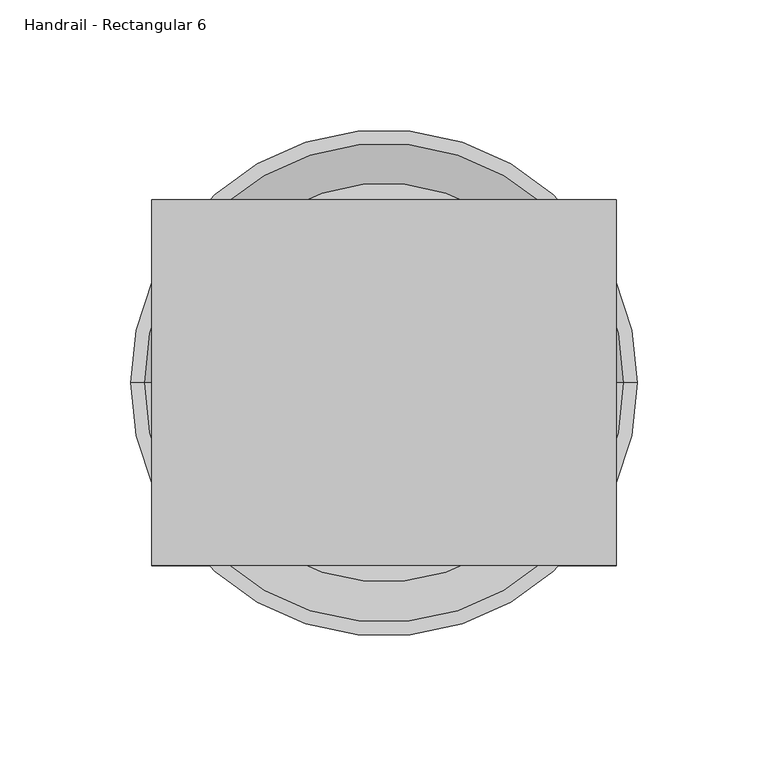
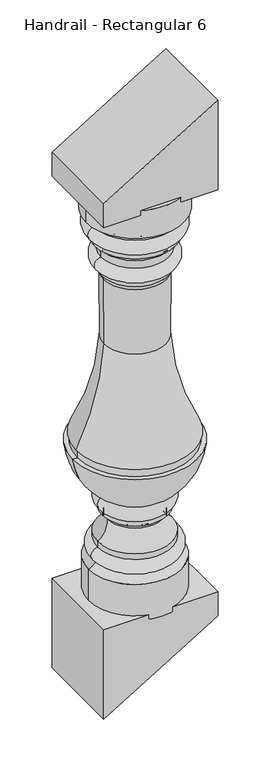
"""IFC4 building model written with IfcOpenShell, lengths in millimetres: railing geometry, Handrail - Rectangular 6."""

import ifcopenshell
import ifcopenshell.guid

model = None  # the IFC model being written
_history = None  # IfcOwnerHistory: only IFC2X3 demands one
_inside = {}  # id of a spatial element -> (the spatial element, [elements in it])
_under = {}  # id of a project, library or spatial element -> (it, [spatial elements below it])
_declared = {}  # id of a project -> (the project, [libraries it declares])
_typed = {}  # id of a type object -> (the type object, [elements of that type])
_made_of = {}  # id of a material, layer set ... -> (it, [elements and type objects made of it])


def new_model(schema):
    """Start an empty IFC model of exactly this schema.

    Asked for "IFC4X3", IfcOpenShell would pick the latest addendum, in which some entities
    have other attributes; the version numbers below select the first issue.
    IFC2X3 requires an IfcOwnerHistory on every rooted entity: one is made here for all.
    """
    global model, _history
    if schema == "IFC4X3":
        model = ifcopenshell.file(schema_version=(4, 3, 0, 0))
    else:
        model = ifcopenshell.file(schema=schema)
    _inside.clear()
    _under.clear()
    _declared.clear()
    _typed.clear()
    _made_of.clear()
    _history = None
    if model.schema == "IFC2X3":
        org = make("IfcOrganization", Name="unknown")
        user = make(
            "IfcPersonAndOrganization",
            ThePerson=make("IfcPerson", FamilyName="unknown"),
            TheOrganization=org,
        )
        app = make(
            "IfcApplication",
            ApplicationDeveloper=org,
            Version="unknown",
            ApplicationFullName="unknown",
            ApplicationIdentifier="unknown",
        )
        _history = make(
            "IfcOwnerHistory",
            OwningUser=user,
            OwningApplication=app,
            ChangeAction="ADDED",
            CreationDate=0,
        )
    return model


def make(cls, **values):
    """One entity of the class cls with the attributes given. An attribute that is None is left unset."""
    return model.create_entity(
        cls, **{name: value for name, value in values.items() if value is not None}
    )


def rooted(cls, **values):
    """An entity with a GlobalId (a new one), such as an element, a storey or a relation."""
    return make(cls, GlobalId=ifcopenshell.guid.new(), OwnerHistory=_history, **values)


def si_unit(unit_type, name, prefix=None):
    """IfcSIUnit, for example si_unit("LENGTHUNIT", "METRE", prefix="MILLI")."""
    return make("IfcSIUnit", UnitType=unit_type, Prefix=prefix, Name=name)


def assignment(units):
    """IfcUnitAssignment: the units of a project."""
    return None if units is None else make("IfcUnitAssignment", Units=units)


def point(xyz):
    """IfcCartesianPoint."""
    return None if xyz is None else make("IfcCartesianPoint", Coordinates=xyz)


def direction(xyz):
    """IfcDirection."""
    return None if xyz is None else make("IfcDirection", DirectionRatios=xyz)


def frame(location, z_axis=None, x_axis=None):
    """IfcAxis2Placement3D, a coordinate frame: its origin and axes. An axis left out is left unset."""
    return make(
        "IfcAxis2Placement3D",
        Location=point(location),
        Axis=direction(z_axis),
        RefDirection=direction(x_axis),
    )


def origin():
    """The frame at (0, 0, 0) with its axes left unset."""
    return frame((0.0, 0.0, 0.0))


def place(relative_to, where):
    """IfcLocalPlacement: puts the frame where relative to a parent placement (None: the world)."""
    return make(
        "IfcLocalPlacement", PlacementRelTo=relative_to, RelativePlacement=where
    )


def context(
    kind, dimensions, precision=None, world=None, true_north=None, identifier=None
):
    """IfcGeometricRepresentationContext, for example the 3D "Model" context."""
    return make(
        "IfcGeometricRepresentationContext",
        ContextIdentifier=identifier,
        ContextType=kind,
        CoordinateSpaceDimension=dimensions,
        Precision=precision,
        WorldCoordinateSystem=world,
        TrueNorth=true_north,
    )


def project(units=None, contexts=None):
    """IfcProject with its units and contexts."""
    return rooted(
        "IfcProject",
        Name="project",
        RepresentationContexts=contexts,
        UnitsInContext=assignment(units),
    )


def spatial(cls, under=None, at=None, **own):
    """A site, building, storey or space (cls), placed at a placement, below another one or the project."""
    s = rooted(cls, ObjectPlacement=at, **own)
    if under is not None:
        _under.setdefault(under.id(), (under, []))[1].append(s)
    return s


def polyline(points):
    """IfcPolyline through the points."""
    return make("IfcPolyline", Points=[point(p) for p in points])


def circle_curve(where, radius):
    """IfcCircle in the frame where."""
    return make("IfcCircle", Position=where, Radius=radius)


def ellipse_curve(where, semi_axis1, semi_axis2):
    """IfcEllipse in the frame where."""
    return make(
        "IfcEllipse", Position=where, SemiAxis1=semi_axis1, SemiAxis2=semi_axis2
    )


def trimmed(basis, trim1, trim2, sense, master):
    """IfcTrimmedCurve: the piece of a basis curve between two trims."""
    return make(
        "IfcTrimmedCurve",
        BasisCurve=basis,
        Trim1=trim1,
        Trim2=trim2,
        SenseAgreement=sense,
        MasterRepresentation=master,
    )


def outline(outer, holes=None, kind="AREA"):
    """IfcArbitraryClosedProfileDef: a profile drawn as a closed curve; with holes, ...WithVoids."""
    if holes is None:
        return make("IfcArbitraryClosedProfileDef", ProfileType=kind, OuterCurve=outer)
    return make(
        "IfcArbitraryProfileDefWithVoids",
        ProfileType=kind,
        OuterCurve=outer,
        InnerCurves=holes,
    )


def extrude(swept, where, along, depth):
    """IfcExtrudedAreaSolid: the profile swept, set in the frame where, extruded along a direction by depth."""
    return make(
        "IfcExtrudedAreaSolid",
        SweptArea=swept,
        Position=where,
        ExtrudedDirection=direction(along),
        Depth=depth,
    )


def shape(context_of_items, identifier, shape_type, items):
    """IfcShapeRepresentation: the items that make up one representation, for example the "Body"."""
    return make(
        "IfcShapeRepresentation",
        ContextOfItems=context_of_items,
        RepresentationIdentifier=identifier,
        RepresentationType=shape_type,
        Items=items,
    )


def source(mapping_origin, context_of_items, identifier, shape_type, items):
    """IfcRepresentationMap: a shape defined once, which mapped items show again and again."""
    return make(
        "IfcRepresentationMap",
        MappingOrigin=mapping_origin,
        MappedRepresentation=shape(context_of_items, identifier, shape_type, items),
    )


def transform(
    local_origin,
    x_axis=None,
    y_axis=None,
    z_axis=None,
    scale=None,
    scale2=None,
    scale3=None,
    uniform=True,
):
    """IfcCartesianTransformationOperator3D, or its non-uniform kind. x_axis, y_axis, z_axis: its Axis1, 2, 3."""
    if uniform:
        return make(
            "IfcCartesianTransformationOperator3D",
            Axis1=direction(x_axis),
            Axis2=direction(y_axis),
            LocalOrigin=point(local_origin),
            Scale=scale,
            Axis3=direction(z_axis),
        )
    return make(
        "IfcCartesianTransformationOperator3DnonUniform",
        Axis1=direction(x_axis),
        Axis2=direction(y_axis),
        LocalOrigin=point(local_origin),
        Scale=scale,
        Axis3=direction(z_axis),
        Scale2=scale2,
        Scale3=scale3,
    )


def mapped(mapping_source, mapping_target):
    """IfcMappedItem: shows the shape of a source again, moved by a transform."""
    return make(
        "IfcMappedItem", MappingSource=mapping_source, MappingTarget=mapping_target
    )


def made_of(thing, what):
    """Note that an element or type object is made of a material, layer set ...; save() writes the relation."""
    if what is not None:
        _made_of.setdefault(what.id(), (what, []))[1].append(thing)
    return thing


def element(
    cls,
    number,
    at=None,
    inside=None,
    cuts=None,
    type_object=None,
    material=None,
    context=None,
    identifier="Body",
    shape_type=None,
    held_by="IfcProductDefinitionShape",
    body=None,
    shapes=None,
    **own,
):
    """One element of the class cls, such as IfcWall. Its Tag is "e" and its number.

    at: its placement. inside: the storey or other place that contains it. cuts: it is an
    opening in that element (IfcRelVoidsElement). A single representation is given by context,
    identifier, shape_type and body (its items); several are given by shapes. held_by: the class
    of the entity that holds the representations. save() writes the other relations.
    """
    e = rooted(cls, Tag="e%d" % number, ObjectPlacement=at, **own)
    if body is not None:
        shapes = [shape(context, identifier, shape_type, body)]
    if shapes is not None:
        e.Representation = make(held_by, Representations=shapes)
    if inside is not None:
        _inside.setdefault(inside.id(), (inside, []))[1].append(e)
    if cuts is not None:
        rooted(
            "IfcRelVoidsElement", RelatingBuildingElement=cuts, RelatedOpeningElement=e
        )
    if type_object is not None:
        _typed.setdefault(type_object.id(), (type_object, []))[1].append(e)
    return made_of(e, material)


def aggregate(whole, parts):
    """IfcRelAggregates: a whole, such as a stair, and the parts it consists of."""
    return rooted("IfcRelAggregates", RelatingObject=whole, RelatedObjects=parts)


def save(model, path):
    """Write the relations noted so far, then the file.

    IfcRelAggregates (storeys below a building ...), IfcRelContainedInSpatialStructure (elements
    in a storey), IfcRelDefinesByType, IfcRelAssociatesMaterial and IfcRelDeclares: one each for
    every whole, place, type object, material and project.
    """
    for whole, parts in _under.values():
        aggregate(whole, parts)
    for where, things in _inside.values():
        rooted(
            "IfcRelContainedInSpatialStructure",
            RelatedElements=things,
            RelatingStructure=where,
        )
    for kind, things in _typed.values():
        rooted("IfcRelDefinesByType", RelatedObjects=things, RelatingType=kind)
    for what, things in _made_of.values():
        rooted("IfcRelAssociatesMaterial", RelatedObjects=things, RelatingMaterial=what)
    for by, libraries in _declared.values():
        rooted("IfcRelDeclares", RelatingContext=by, RelatedDefinitions=libraries)
    model.write(path)


def plane_surface(at):
    """IfcPlane: the flat surface through the origin of the frame at, square to its z axis."""
    return make("IfcPlane", Position=at)


def cylinder_surface(at, radius):
    """IfcCylindricalSurface: all points at the distance radius from the z axis of the frame at."""
    return make("IfcCylindricalSurface", Position=at, Radius=radius)


def revolved_surface(curve, axis_point, axis_direction):
    """IfcSurfaceOfRevolution: the curve turned about the line through axis_point along axis_direction."""
    return make(
        "IfcSurfaceOfRevolution",
        SweptCurve=make("IfcArbitraryOpenProfileDef", ProfileType="CURVE", Curve=curve),
        AxisPosition=make("IfcAxis1Placement", Location=point(axis_point), Axis=direction(axis_direction)),
    )


def advanced_brep(points, edges, surfaces, faces):
    """IfcAdvancedBrep: a solid bounded by faces that lie on surfaces and meet in shared edges.

    An edge is (start, end): straight between two places in points (the first is 0);
    or (start, end, curve); or (start, end, curve, False) where it runs against its curve.
    A face is (place in surfaces, loops), or (place, loops, False) where it looks against
    its surface's normal. A loop lists edges by number (the first is 1), with a minus sign
    where the edge is run from its end to its start. The first loop is the outer one.
    """
    corners = [point(p) for p in points]
    vertices = [make("IfcVertexPoint", VertexGeometry=c) for c in corners]
    made = []
    for start, end, *more in edges:
        made.append(
            make(
                "IfcEdgeCurve",
                EdgeStart=vertices[start],
                EdgeEnd=vertices[end],
                EdgeGeometry=more[0] if more else make("IfcPolyline", Points=[corners[start], corners[end]]),
                SameSense=more[1] if len(more) > 1 else True,
            )
        )
    hull = []
    for where, loops, *sense in faces:
        bounds = []
        for j, loop in enumerate(loops):
            ring = [make("IfcOrientedEdge", EdgeElement=made[abs(k) - 1], Orientation=k > 0) for k in loop]
            bounds.append(
                make(
                    "IfcFaceOuterBound" if j == 0 else "IfcFaceBound",
                    Bound=make("IfcEdgeLoop", EdgeList=ring),
                    Orientation=True,
                )
            )
        hull.append(make("IfcAdvancedFace", Bounds=bounds, FaceSurface=surfaces[where], SameSense=sense[0] if sense else True))
    return make("IfcAdvancedBrep", Outer=make("IfcClosedShell", CfsFaces=hull))


def handrail_rectangular_6_158cdc4c(model_context):
    return source(origin(), model_context, "Body", "SolidModel", [
        advanced_brep(
        [(15839.3027138, 4021.0919589, 1104.1765176), (15991.7027138, 4021.0919589, 1104.1765176), (15915.5027138, 4021.0919589, 1104.1765176), (15839.3027138, 4021.0919589, 1058.4554533), (15991.7027138, 4021.0919589, 1058.4554533), (15851.4317502, 4021.0919589, 1047.2392085), (15979.5736774, 4021.0919589, 1047.2392085), (15851.6769912, 4021.0919589, 1024.2012529), (15979.3284364, 4021.0919589, 1024.2012529), (15851.6769912, 4021.0919589, 1016.1134557), (15979.3284364, 4021.0919589, 1016.1134557), (15860.5055103, 4021.0919589, 1007.5354945), (15970.4999173, 4021.0919589, 1007.5354945), (15862.8417878, 4021.0919589, 993.2305696), (15968.1636397, 4021.0919589, 993.2305696), (15862.8417878, 4021.0919589, 971.1729551), (15968.1636397, 4021.0919589, 971.1729551), (15862.8417878, 4021.0919589, 962.8890176), (15968.1636397, 4021.0919589, 962.8890176), (15866.714095, 4021.0919589, 955.1688564), (15964.2913325, 4021.0919589, 955.1688564), (15867.5235709, 4021.0919589, 848.9900737), (15963.4818566, 4021.0919589, 848.9900737), (15823.9642735, 4021.0919589, 689.0452676), (16007.041154, 4021.0919589, 689.0452676), (15826.066154, 4021.0919589, 689.0452676), (16004.9392735, 4021.0919589, 689.0452676), (15826.066154, 4021.0919589, 676.3452676), (16004.9392735, 4021.0919589, 676.3452676), (15818.6652138, 4021.0919589, 676.3452676), (16012.3402138, 4021.0919589, 676.3452676), (15864.5912706, 4021.0919589, 598.9788631), (15966.4141569, 4021.0919589, 598.9788631), (15864.7326309, 4021.0919589, 575.6152861), (15966.2727966, 4021.0919589, 575.6152861), (15864.7326309, 4021.0919589, 568.1356536), (15966.2727966, 4021.0919589, 568.1356536), (15872.684671, 4021.0919589, 559.2535887), (15958.3207565, 4021.0919589, 559.2535887), (15857.7161377, 4021.0919589, 527.4651457), (15973.2892899, 4021.0919589, 527.4651457), (15857.7161377, 4021.0919589, 518.1156098), (15973.2892899, 4021.0919589, 518.1156098), (15855.3772921, 4021.0919589, 496.6116639), (15975.6281354, 4021.0919589, 496.6116639), (15843.2924308, 4021.0919589, 486.8182081), (15987.7129967, 4021.0919589, 486.8182081), (15843.2924308, 4021.0919589, 427.9015176), (15987.7129967, 4021.0919589, 427.9015176), (15915.5027138, 4021.0919589, 427.9015176)],
        [
            (0, 1, circle_curve(frame((15915.5027138, 4021.0919589, 1104.1765176), z_axis=(0.0, 0.0, 1.0), x_axis=(1.0, 0.0, 0.0)), 76.2)),
            (1, 2),
            (2, 0),
            (1, 0, circle_curve(frame((15915.5027138, 4021.0919589, 1104.1765176), z_axis=(0.0, 0.0, 1.0), x_axis=(1.0, 0.0, 0.0)), 76.2)),
            (3, 4, circle_curve(frame((15915.5027138, 4021.0919589, 1058.4554533), z_axis=(0.0, 0.0, 1.0), x_axis=(1.0, 0.0, 0.0)), 76.2)),
            (4, 1),
            (0, 3),
            (4, 3, circle_curve(frame((15915.5027138, 4021.0919589, 1058.4554533), z_axis=(0.0, 0.0, 1.0), x_axis=(1.0, 0.0, 0.0)), 76.2)),
            (5, 6, circle_curve(frame((15915.5027138, 4021.0919589, 1047.2392085), z_axis=(0.0, 0.0, 1.0), x_axis=(1.0, 0.0, 0.0)), 64.0709636)),
            (6, 4, circle_curve(frame((15991.7162278, 4021.0919589, 1046.274661), z_axis=(0.0, 1.0, 0.0), x_axis=(-1.0, 0.0, 0.0)), 12.1807998)),
            (3, 5, circle_curve(frame((15839.2891997, 4021.0919589, 1046.274661), z_axis=(0.0, 1.0, 0.0), x_axis=(1.0, 0.0, 0.0)), 12.1807998)),
            (6, 5, circle_curve(frame((15915.5027138, 4021.0919589, 1047.2392085), z_axis=(0.0, 0.0, 1.0), x_axis=(1.0, 0.0, 0.0)), 64.0709636)),
            (7, 8, circle_curve(frame((15915.5027138, 4021.0919589, 1024.2012529), z_axis=(0.0, 0.0, 1.0), x_axis=(1.0, 0.0, 0.0)), 63.8257226)),
            (8, 6, circle_curve(frame((15977.162344, 4021.0919589, 1035.7445942), z_axis=(0.0, -1.0, 0.0), x_axis=(-1.0, 0.0, 0.0)), 11.7448152)),
            (5, 7, circle_curve(frame((15853.8430835, 4021.0919589, 1035.7445942), z_axis=(0.0, -1.0, 0.0), x_axis=(1.0, 0.0, 0.0)), 11.7448152)),
            (8, 7, circle_curve(frame((15915.5027138, 4021.0919589, 1024.2012529), z_axis=(0.0, 0.0, 1.0), x_axis=(1.0, 0.0, 0.0)), 63.8257226)),
            (9, 10, circle_curve(frame((15915.5027138, 4021.0919589, 1016.1134557), z_axis=(0.0, 0.0, 1.0), x_axis=(1.0, 0.0, 0.0)), 63.8257226)),
            (10, 8),
            (7, 9),
            (10, 9, circle_curve(frame((15915.5027138, 4021.0919589, 1016.1134557), z_axis=(0.0, 0.0, 1.0), x_axis=(1.0, 0.0, 0.0)), 63.8257226)),
            (11, 12, circle_curve(frame((15915.5027138, 4021.0919589, 1007.5354945), z_axis=(0.0, 0.0, 1.0), x_axis=(1.0, 0.0, 0.0)), 54.9972035)),
            (12, 10, circle_curve(frame((15983.7304457, 4021.0919589, 1002.7506875), z_axis=(0.0, 1.0, 0.0), x_axis=(-1.0, 0.0, 0.0)), 14.06916)),
            (9, 11, circle_curve(frame((15847.2749818, 4021.0919589, 1002.7506875), z_axis=(0.0, 1.0, 0.0), x_axis=(1.0, 0.0, 0.0)), 14.06916)),
            (12, 11, circle_curve(frame((15915.5027138, 4021.0919589, 1007.5354945), z_axis=(0.0, 0.0, 1.0), x_axis=(1.0, 0.0, 0.0)), 54.9972035)),
            (13, 14, circle_curve(frame((15915.5027138, 4021.0919589, 993.2305696), z_axis=(0.0, 0.0, 1.0), x_axis=(1.0, 0.0, 0.0)), 52.660926)),
            (14, 12, circle_curve(frame((15997.1227722, 4021.0919589, 995.8442124), z_axis=(0.0, 1.0, 0.0), x_axis=(-1.0, 0.0, 0.0)), 29.0768376)),
            (11, 13, circle_curve(frame((15833.8826553, 4021.0919589, 995.8442124), z_axis=(0.0, 1.0, 0.0), x_axis=(1.0, 0.0, 0.0)), 29.0768376)),
            (14, 13, circle_curve(frame((15915.5027138, 4021.0919589, 993.2305696), z_axis=(0.0, 0.0, 1.0), x_axis=(1.0, 0.0, 0.0)), 52.660926)),
            (15, 16, circle_curve(frame((15915.5027138, 4021.0919589, 971.1729551), z_axis=(0.0, 0.0, 1.0), x_axis=(1.0, 0.0, 0.0)), 52.660926)),
            (16, 14, circle_curve(frame((15967.7094065, 4021.0919589, 982.2017623), z_axis=(0.0, -1.0, 0.0), x_axis=(-1.0, 0.0, 0.0)), 11.0381573)),
            (13, 15, circle_curve(frame((15863.296021, 4021.0919589, 982.2017623), z_axis=(0.0, -1.0, 0.0), x_axis=(1.0, 0.0, 0.0)), 11.0381573)),
            (16, 15, circle_curve(frame((15915.5027138, 4021.0919589, 971.1729551), z_axis=(0.0, 0.0, 1.0), x_axis=(1.0, 0.0, 0.0)), 52.660926)),
            (17, 18, circle_curve(frame((15915.5027138, 4021.0919589, 962.8890176), z_axis=(0.0, 0.0, 1.0), x_axis=(1.0, 0.0, 0.0)), 52.660926)),
            (18, 16),
            (15, 17),
            (18, 17, circle_curve(frame((15915.5027138, 4021.0919589, 962.8890176), z_axis=(0.0, 0.0, 1.0), x_axis=(1.0, 0.0, 0.0)), 52.660926)),
            (19, 20, circle_curve(frame((15915.5027138, 4021.0919589, 955.1688564), z_axis=(0.0, 0.0, 1.0), x_axis=(1.0, 0.0, 0.0)), 48.7886187)),
            (20, 18, circle_curve(frame((15975.5302832, 4021.0919589, 954.3628053), z_axis=(0.0, 1.0, 0.0), x_axis=(-1.0, 0.0, 0.0)), 11.2678184)),
            (17, 19, circle_curve(frame((15855.4751443, 4021.0919589, 954.3628053), z_axis=(0.0, 1.0, 0.0), x_axis=(1.0, 0.0, 0.0)), 11.2678184)),
            (20, 19, circle_curve(frame((15915.5027138, 4021.0919589, 955.1688564), z_axis=(0.0, 0.0, 1.0), x_axis=(1.0, 0.0, 0.0)), 48.7886187)),
            (21, 22, circle_curve(frame((15915.5027138, 4021.0919589, 848.9900737), z_axis=(0.0, 0.0, 1.0), x_axis=(1.0, 0.0, 0.0)), 47.9791428)),
            (22, 20, circle_curve(frame((16792.6224017, 4021.0919589, 895.7614263), z_axis=(0.0, 1.0, 0.0), x_axis=(-1.0, 0.0, 0.0)), 830.4586702)),
            (19, 21, circle_curve(frame((15038.3830258, 4021.0919589, 895.7614263), z_axis=(0.0, 1.0, 0.0), x_axis=(1.0, 0.0, 0.0)), 830.4586702)),
            (22, 21, circle_curve(frame((15915.5027138, 4021.0919589, 848.9900737), z_axis=(0.0, 0.0, 1.0), x_axis=(1.0, 0.0, 0.0)), 47.9791428)),
            (23, 24, circle_curve(frame((15915.5027138, 4021.0919589, 689.0452676), z_axis=(0.0, 0.0, 1.0), x_axis=(1.0, 0.0, 0.0)), 91.5384403)),
            (24, 22, circle_curve(frame((16361.3136369, 4021.0919589, 871.431541), z_axis=(0.0, 1.0, 0.0), x_axis=(-1.0, 0.0, 0.0)), 398.4642329)),
            (21, 23, circle_curve(frame((15469.6917906, 4021.0919589, 871.431541), z_axis=(0.0, 1.0, 0.0), x_axis=(1.0, 0.0, 0.0)), 398.4642329)),
            (24, 23, circle_curve(frame((15915.5027138, 4021.0919589, 689.0452676), z_axis=(0.0, 0.0, 1.0), x_axis=(1.0, 0.0, 0.0)), 91.5384403)),
            (25, 26, circle_curve(frame((15915.5027138, 4021.0919589, 689.0452676), z_axis=(0.0, 0.0, 1.0), x_axis=(1.0, 0.0, 0.0)), 89.4365597)),
            (26, 24),
            (23, 25),
            (26, 25, circle_curve(frame((15915.5027138, 4021.0919589, 689.0452676), z_axis=(0.0, 0.0, 1.0), x_axis=(1.0, 0.0, 0.0)), 89.4365597)),
            (27, 28, circle_curve(frame((15915.5027138, 4021.0919589, 676.3452676), z_axis=(0.0, 0.0, 1.0), x_axis=(1.0, 0.0, 0.0)), 89.4365597)),
            (28, 26),
            (25, 27),
            (28, 27, circle_curve(frame((15915.5027138, 4021.0919589, 676.3452676), z_axis=(0.0, 0.0, 1.0), x_axis=(1.0, 0.0, 0.0)), 89.4365597)),
            (29, 30, circle_curve(frame((15915.5027138, 4021.0919589, 676.3452676), z_axis=(0.0, 0.0, 1.0), x_axis=(1.0, 0.0, 0.0)), 96.8375)),
            (30, 28),
            (27, 29),
            (30, 29, circle_curve(frame((15915.5027138, 4021.0919589, 676.3452676), z_axis=(0.0, 0.0, 1.0), x_axis=(1.0, 0.0, 0.0)), 96.8375)),
            (31, 32, circle_curve(frame((15915.5027138, 4021.0919589, 598.9788631), z_axis=(0.0, 0.0, 1.0), x_axis=(1.0, 0.0, 0.0)), 50.9114432)),
            (32, 30, circle_curve(frame((15907.8610284, 4021.0919589, 686.0514882), z_axis=(0.0, -1.0, 0.0), x_axis=(-1.0, 0.0, 0.0)), 104.9290756)),
            (29, 31, circle_curve(frame((15923.1443992, 4021.0919589, 686.0514882), z_axis=(0.0, -1.0, 0.0), x_axis=(1.0, 0.0, 0.0)), 104.9290756)),
            (32, 31, circle_curve(frame((15915.5027138, 4021.0919589, 598.9788631), z_axis=(0.0, 0.0, 1.0), x_axis=(1.0, 0.0, 0.0)), 50.9114432)),
            (33, 34, circle_curve(frame((15915.5027138, 4021.0919589, 575.6152861), z_axis=(0.0, 0.0, 1.0), x_axis=(1.0, 0.0, 0.0)), 50.7700828)),
            (34, 32, circle_curve(frame((15961.0408029, 4021.0919589, 587.3291582), z_axis=(0.0, -1.0, 0.0), x_axis=(-1.0, 0.0, 0.0)), 12.8292072)),
            (31, 33, circle_curve(frame((15869.9646246, 4021.0919589, 587.3291582), z_axis=(0.0, -1.0, 0.0), x_axis=(1.0, 0.0, 0.0)), 12.8292072)),
            (34, 33, circle_curve(frame((15915.5027138, 4021.0919589, 575.6152861), z_axis=(0.0, 0.0, 1.0), x_axis=(1.0, 0.0, 0.0)), 50.7700828)),
            (35, 36, circle_curve(frame((15915.5027138, 4021.0919589, 568.1356536), z_axis=(0.0, 0.0, 1.0), x_axis=(1.0, 0.0, 0.0)), 50.7700828)),
            (36, 34),
            (33, 35),
            (36, 35, circle_curve(frame((15915.5027138, 4021.0919589, 568.1356536), z_axis=(0.0, 0.0, 1.0), x_axis=(1.0, 0.0, 0.0)), 50.7700828)),
            (37, 38, circle_curve(frame((15915.5027138, 4021.0919589, 559.2535887), z_axis=(0.0, 0.0, 1.0), x_axis=(1.0, 0.0, 0.0)), 42.8180427)),
            (38, 36, circle_curve(frame((15968.2181347, 4021.0919589, 558.3932776), z_axis=(0.0, 1.0, 0.0), x_axis=(-1.0, 0.0, 0.0)), 9.9346983)),
            (35, 37, circle_curve(frame((15862.7872929, 4021.0919589, 558.3932776), z_axis=(0.0, 1.0, 0.0), x_axis=(1.0, 0.0, 0.0)), 9.9346983)),
            (38, 37, circle_curve(frame((15915.5027138, 4021.0919589, 559.2535887), z_axis=(0.0, 0.0, 1.0), x_axis=(1.0, 0.0, 0.0)), 42.8180427)),
            (39, 40, circle_curve(frame((15915.5027138, 4021.0919589, 527.4651457), z_axis=(0.0, 0.0, 1.0), x_axis=(1.0, 0.0, 0.0)), 57.7865761)),
            (40, 38, circle_curve(frame((15993.1330751, 4021.0919589, 556.2275928), z_axis=(0.0, 1.0, 0.0), x_axis=(-1.0, 0.0, 0.0)), 34.9435857)),
            (37, 39, circle_curve(frame((15837.8723524, 4021.0919589, 556.2275928), z_axis=(0.0, 1.0, 0.0), x_axis=(1.0, 0.0, 0.0)), 34.9435857)),
            (40, 39, circle_curve(frame((15915.5027138, 4021.0919589, 527.4651457), z_axis=(0.0, 0.0, 1.0), x_axis=(1.0, 0.0, 0.0)), 57.7865761)),
            (41, 42, circle_curve(frame((15915.5027138, 4021.0919589, 518.1156098), z_axis=(0.0, 0.0, 1.0), x_axis=(1.0, 0.0, 0.0)), 57.7865761)),
            (42, 40),
            (39, 41),
            (42, 41, circle_curve(frame((15915.5027138, 4021.0919589, 518.1156098), z_axis=(0.0, 0.0, 1.0), x_axis=(1.0, 0.0, 0.0)), 57.7865761)),
            (43, 44, circle_curve(frame((15915.5027138, 4021.0919589, 496.6116639), z_axis=(0.0, 0.0, 1.0), x_axis=(1.0, 0.0, 0.0)), 60.1254216)),
            (44, 42, circle_curve(frame((15972.675307, 4021.0919589, 507.1696673), z_axis=(0.0, -1.0, 0.0), x_axis=(-1.0, 0.0, 0.0)), 10.9631488)),
            (41, 43, circle_curve(frame((15858.3301206, 4021.0919589, 507.1696673), z_axis=(0.0, -1.0, 0.0), x_axis=(1.0, 0.0, 0.0)), 10.9631488)),
            (44, 43, circle_curve(frame((15915.5027138, 4021.0919589, 496.6116639), z_axis=(0.0, 0.0, 1.0), x_axis=(1.0, 0.0, 0.0)), 60.1254216)),
            (45, 46, circle_curve(frame((15915.5027138, 4021.0919589, 486.8182081), z_axis=(0.0, 0.0, 1.0), x_axis=(1.0, 0.0, 0.0)), 72.210283)),
            (46, 44, circle_curve(frame((15993.8438996, 4021.0919589, 506.7365026), z_axis=(0.0, 1.0, 0.0), x_axis=(-1.0, 0.0, 0.0)), 20.8404996)),
            (43, 45, circle_curve(frame((15837.1615279, 4021.0919589, 506.7365026), z_axis=(0.0, 1.0, 0.0), x_axis=(1.0, 0.0, 0.0)), 20.8404996)),
            (46, 45, circle_curve(frame((15915.5027138, 4021.0919589, 486.8182081), z_axis=(0.0, 0.0, 1.0), x_axis=(1.0, 0.0, 0.0)), 72.210283)),
            (47, 48, circle_curve(frame((15915.5027138, 4021.0919589, 427.9015176), z_axis=(0.0, 0.0, 1.0), x_axis=(1.0, 0.0, 0.0)), 72.210283)),
            (48, 46),
            (45, 47),
            (48, 47, circle_curve(frame((15915.5027138, 4021.0919589, 427.9015176), z_axis=(0.0, 0.0, 1.0), x_axis=(1.0, 0.0, 0.0)), 72.210283)),
            (49, 48),
            (47, 49),
        ],
        [
            plane_surface(frame((15915.5027138, 4021.0919589, 1104.1765176), z_axis=(0.0, 0.0, 1.0), x_axis=(1.0, 0.0, 0.0))),
            cylinder_surface(frame((15915.5027138, 4021.0919589, 1056.5515176), z_axis=(0.0, 0.0, -1.0), x_axis=(1.0, 0.0, 0.0)), 76.2),
            revolved_surface(trimmed(ellipse_curve(frame((15991.7162278, 4021.0919589, 1046.274661), z_axis=(0.0, -1.0, 0.0), x_axis=(-1.0, 0.0, 0.0)), 12.1807998, 12.1807998), [point((15991.7027138, 4021.0919589, 1058.4554533))], [point((15979.5736774, 4021.0919589, 1047.2392085))], True, "CARTESIAN"), (15915.5027138, 4021.0919589, 1056.5515176), (0.0, 0.0, -1.0)),
            revolved_surface(trimmed(ellipse_curve(frame((15977.162344, 4021.0919589, 1035.7445942), z_axis=(0.0, 1.0, 0.0), x_axis=(-1.0, 0.0, 0.0)), 11.7448152, 11.7448152), [point((15979.5736774, 4021.0919589, 1047.2392085))], [point((15979.3284364, 4021.0919589, 1024.2012529))], True, "CARTESIAN"), (15915.5027138, 4021.0919589, 1056.5515176), (0.0, 0.0, -1.0)),
            cylinder_surface(frame((15915.5027138, 4021.0919589, 1056.5515176), z_axis=(0.0, 0.0, -1.0), x_axis=(1.0, 0.0, 0.0)), 63.8257226),
            revolved_surface(trimmed(ellipse_curve(frame((15983.7304457, 4021.0919589, 1002.7506875), z_axis=(0.0, -1.0, 0.0), x_axis=(-1.0, 0.0, 0.0)), 14.06916, 14.06916), [point((15979.3284364, 4021.0919589, 1016.1134557))], [point((15970.4999173, 4021.0919589, 1007.5354945))], True, "CARTESIAN"), (15915.5027138, 4021.0919589, 1056.5515176), (0.0, 0.0, -1.0)),
            revolved_surface(trimmed(ellipse_curve(frame((15997.1227722, 4021.0919589, 995.8442124), z_axis=(0.0, -1.0, 0.0), x_axis=(-1.0, 0.0, 0.0)), 29.0768376, 29.0768376), [point((15970.4999173, 4021.0919589, 1007.5354945))], [point((15968.1636397, 4021.0919589, 993.2305696))], True, "CARTESIAN"), (15915.5027138, 4021.0919589, 1056.5515176), (0.0, 0.0, -1.0)),
            revolved_surface(trimmed(ellipse_curve(frame((15967.7094065, 4021.0919589, 982.2017623), z_axis=(0.0, 1.0, 0.0), x_axis=(-1.0, 0.0, 0.0)), 11.0381573, 11.0381573), [point((15968.1636397, 4021.0919589, 993.2305696))], [point((15968.1636397, 4021.0919589, 971.1729551))], True, "CARTESIAN"), (15915.5027138, 4021.0919589, 1056.5515176), (0.0, 0.0, -1.0)),
            cylinder_surface(frame((15915.5027138, 4021.0919589, 1056.5515176), z_axis=(0.0, 0.0, -1.0), x_axis=(1.0, 0.0, 0.0)), 52.660926),
            revolved_surface(trimmed(ellipse_curve(frame((15975.5302832, 4021.0919589, 954.3628053), z_axis=(0.0, -1.0, 0.0), x_axis=(-1.0, 0.0, 0.0)), 11.2678184, 11.2678184), [point((15968.1636397, 4021.0919589, 962.8890176))], [point((15964.2913325, 4021.0919589, 955.1688564))], True, "CARTESIAN"), (15915.5027138, 4021.0919589, 1056.5515176), (0.0, 0.0, -1.0)),
            revolved_surface(trimmed(ellipse_curve(frame((16792.6224017, 4021.0919589, 895.7614263), z_axis=(0.0, -1.0, 0.0), x_axis=(-1.0, 0.0, 0.0)), 830.4586702, 830.4586702), [point((15964.2913325, 4021.0919589, 955.1688564))], [point((15963.4818566, 4021.0919589, 848.9900737))], True, "CARTESIAN"), (15915.5027138, 4021.0919589, 1056.5515176), (0.0, 0.0, -1.0)),
            revolved_surface(trimmed(ellipse_curve(frame((16361.3136369, 4021.0919589, 871.431541), z_axis=(0.0, -1.0, 0.0), x_axis=(-1.0, 0.0, 0.0)), 398.4642329, 398.4642329), [point((15963.4818566, 4021.0919589, 848.9900737))], [point((16007.041154, 4021.0919589, 689.0452676))], True, "CARTESIAN"), (15915.5027138, 4021.0919589, 1056.5515176), (0.0, 0.0, -1.0)),
            plane_surface(frame((15915.5027138, 4021.0919589, 689.0452676), z_axis=(0.0, 0.0, -1.0), x_axis=(1.0, 0.0, 0.0))),
            cylinder_surface(frame((15915.5027138, 4021.0919589, 1056.5515176), z_axis=(0.0, 0.0, -1.0), x_axis=(1.0, 0.0, 0.0)), 89.4365597),
            plane_surface(frame((15915.5027138, 4021.0919589, 676.3452676), z_axis=(0.0, 0.0, 1.0), x_axis=(1.0, 0.0, 0.0))),
            revolved_surface(trimmed(ellipse_curve(frame((15907.8610284, 4021.0919589, 686.0514882), z_axis=(0.0, 1.0, 0.0), x_axis=(-1.0, 0.0, 0.0)), 104.9290756, 104.9290756), [point((16012.3402138, 4021.0919589, 676.3452676))], [point((15966.4141569, 4021.0919589, 598.9788631))], True, "CARTESIAN"), (15915.5027138, 4021.0919589, 1056.5515176), (0.0, 0.0, -1.0)),
            revolved_surface(trimmed(ellipse_curve(frame((15961.0408029, 4021.0919589, 587.3291582), z_axis=(0.0, 1.0, 0.0), x_axis=(-1.0, 0.0, 0.0)), 12.8292072, 12.8292072), [point((15966.4141569, 4021.0919589, 598.9788631))], [point((15966.2727966, 4021.0919589, 575.6152861))], True, "CARTESIAN"), (15915.5027138, 4021.0919589, 1056.5515176), (0.0, 0.0, -1.0)),
            cylinder_surface(frame((15915.5027138, 4021.0919589, 1056.5515176), z_axis=(0.0, 0.0, -1.0), x_axis=(1.0, 0.0, 0.0)), 50.7700828),
            revolved_surface(trimmed(ellipse_curve(frame((15968.2181347, 4021.0919589, 558.3932776), z_axis=(0.0, -1.0, 0.0), x_axis=(-1.0, 0.0, 0.0)), 9.9346983, 9.9346983), [point((15966.2727966, 4021.0919589, 568.1356536))], [point((15958.3207565, 4021.0919589, 559.2535887))], True, "CARTESIAN"), (15915.5027138, 4021.0919589, 1056.5515176), (0.0, 0.0, -1.0)),
            revolved_surface(trimmed(ellipse_curve(frame((15993.1330751, 4021.0919589, 556.2275928), z_axis=(0.0, -1.0, 0.0), x_axis=(-1.0, 0.0, 0.0)), 34.9435857, 34.9435857), [point((15958.3207565, 4021.0919589, 559.2535887))], [point((15973.2892899, 4021.0919589, 527.4651457))], True, "CARTESIAN"), (15915.5027138, 4021.0919589, 1056.5515176), (0.0, 0.0, -1.0)),
            cylinder_surface(frame((15915.5027138, 4021.0919589, 1056.5515176), z_axis=(0.0, 0.0, -1.0), x_axis=(1.0, 0.0, 0.0)), 57.7865761),
            revolved_surface(trimmed(ellipse_curve(frame((15972.675307, 4021.0919589, 507.1696673), z_axis=(0.0, 1.0, 0.0), x_axis=(-1.0, 0.0, 0.0)), 10.9631488, 10.9631488), [point((15973.2892899, 4021.0919589, 518.1156098))], [point((15975.6281354, 4021.0919589, 496.6116639))], True, "CARTESIAN"), (15915.5027138, 4021.0919589, 1056.5515176), (0.0, 0.0, -1.0)),
            revolved_surface(trimmed(ellipse_curve(frame((15993.8438996, 4021.0919589, 506.7365026), z_axis=(0.0, -1.0, 0.0), x_axis=(-1.0, 0.0, 0.0)), 20.8404996, 20.8404996), [point((15975.6281354, 4021.0919589, 496.6116639))], [point((15987.7129967, 4021.0919589, 486.8182081))], True, "CARTESIAN"), (15915.5027138, 4021.0919589, 1056.5515176), (0.0, 0.0, -1.0)),
            cylinder_surface(frame((15915.5027138, 4021.0919589, 1056.5515176), z_axis=(0.0, 0.0, -1.0), x_axis=(1.0, 0.0, 0.0)), 72.210283),
            plane_surface(frame((15915.5027138, 4021.0919589, 427.9015176), z_axis=(0.0, 0.0, -1.0), x_axis=(1.0, 0.0, 0.0))),
        ],
        [
            (0, [[1, 2, 3]]),
            (0, [[4, -3, -2]]),
            (1, [[5, 6, -1, 7]]),
            (1, [[8, -7, -4, -6]]),
            (2, [[9, 10, -5, 11]]),
            (2, [[12, -11, -8, -10]]),
            (3, [[13, 14, -9, 15]]),
            (3, [[16, -15, -12, -14]]),
            (4, [[17, 18, -13, 19]]),
            (4, [[20, -19, -16, -18]]),
            (5, [[21, 22, -17, 23]]),
            (5, [[24, -23, -20, -22]]),
            (6, [[25, 26, -21, 27]]),
            (6, [[28, -27, -24, -26]]),
            (7, [[29, 30, -25, 31]]),
            (7, [[32, -31, -28, -30]]),
            (8, [[33, 34, -29, 35]]),
            (8, [[36, -35, -32, -34]]),
            (9, [[37, 38, -33, 39]]),
            (9, [[40, -39, -36, -38]]),
            (10, [[41, 42, -37, 43]]),
            (10, [[44, -43, -40, -42]]),
            (11, [[45, 46, -41, 47]]),
            (11, [[48, -47, -44, -46]]),
            (12, [[49, 50, -45, 51]]),
            (12, [[52, -51, -48, -50]]),
            (13, [[53, 54, -49, 55]]),
            (13, [[56, -55, -52, -54]]),
            (14, [[57, 58, -53, 59]]),
            (14, [[60, -59, -56, -58]]),
            (15, [[61, 62, -57, 63]]),
            (15, [[64, -63, -60, -62]]),
            (16, [[65, 66, -61, 67]]),
            (16, [[68, -67, -64, -66]]),
            (17, [[69, 70, -65, 71]]),
            (17, [[72, -71, -68, -70]]),
            (18, [[73, 74, -69, 75]]),
            (18, [[76, -75, -72, -74]]),
            (19, [[77, 78, -73, 79]]),
            (19, [[80, -79, -76, -78]]),
            (20, [[81, 82, -77, 83]]),
            (20, [[84, -83, -80, -82]]),
            (21, [[85, 86, -81, 87]]),
            (21, [[88, -87, -84, -86]]),
            (22, [[89, 90, -85, 91]]),
            (22, [[92, -91, -88, -90]]),
            (23, [[93, 94, -89, 95]]),
            (23, [[96, -95, -92, -94]]),
            (24, [[97, -93, 98]]),
            (24, [[-98, -96, -97]]),
        ],
    ),
        extrude(outline(polyline([(435.6965909, 16004.4027138), (435.6965909, 15826.6027138), (288.155303, 15826.6027138), (395.9128788, 16004.4027138), (435.6965909, 16004.4027138)])), frame((0.0, 3951.2419589, 0.0), z_axis=(0.0, 1.0, 0.0), x_axis=(0.0, 0.0, 1.0)), (0.0, 0.0, 1.0), 139.7),
        extrude(outline(polyline([(1096.3814442, 15826.6027138), (1096.3814442, 16004.4027138), (1243.9227321, 16004.4027138), (1136.1651563, 15826.6027138), (1096.3814442, 15826.6027138)])), frame((0.0, 3951.2419589, 0.0), z_axis=(0.0, 1.0, 0.0), x_axis=(0.0, 0.0, 1.0)), (0.0, 0.0, 1.0), 139.7),
    ])


if __name__ == "__main__":
    model = new_model("IFC4")
    model_context = context("Model", 3, world=origin())
    ifc_project = project(units=[si_unit("LENGTHUNIT", "METRE", prefix="MILLI")], contexts=[model_context])
    site = spatial("IfcSite", under=ifc_project)
    building = spatial("IfcBuilding", under=site)
    placement = place(None, origin())
    handrail_rectangular_6_shape = handrail_rectangular_6_158cdc4c(model_context)
    element("IfcRailing", 1, ObjectType="Handrail - Rectangular 6", at=placement, inside=building, context=model_context, shape_type="MappedRepresentation", body=[
        mapped(handrail_rectangular_6_shape, transform((0.0, 0.0, 0.0), x_axis=(1.0, 0.0, 0.0), y_axis=(0.0, 1.0, 0.0), z_axis=(0.0, 0.0, 1.0))),
    ])
    save(model, "model.ifc")
